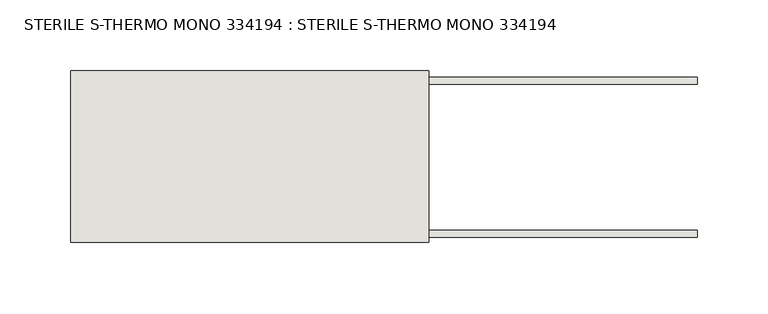
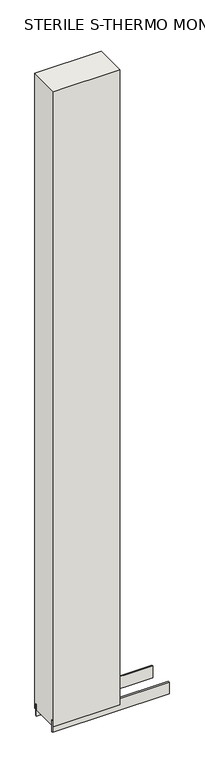
"""IFC4 building model written with IfcOpenShell, lengths in millimetres: wall geometry, STERILE S-THERMO MONO 334194 : STERILE S-THERMO MONO 334194."""

from ifc_helpers import new_model, si_unit, frame, origin, place, context, project, spatial, polyline, outline, extrude, source, transform, mapped, element, save


def sterile_s_thermo_mono_334194_sterile_s_thermo_mono_334194_72f81a0b(model_context):
    return source(origin(), model_context, "Body", "SweptSolid", [
        extrude(outline(polyline([(83957.4688132, -44119.5873004), (83960.0088132, -44119.5873004), (83960.0088132, -44122.1273004), (83957.4688132, -44122.1273004), (83957.4688132, -44119.5873004)])), frame((0.0, 0.0, 4419.6), z_axis=(0.0, 0.0, 1.0), x_axis=(1.0, 0.0, 0.0)), (0.0, 0.0, 1.0), 2.54),
        extrude(outline(polyline([(83706.0038602, -44172.5564604), (84150.5038602, -44172.5564604), (84150.5038602, -44177.6352412), (83706.0038602, -44177.6352412), (83706.0038602, -44172.5564604)])), frame((0.0, 0.0, 4418.6602), z_axis=(0.0, 0.0, 1.0), x_axis=(1.0, 0.0, 0.0)), (0.0, 0.0, 1.0), 47.625),
        extrude(outline(polyline([(83706.0038602, -44172.5564604), (84150.5038602, -44172.5564604), (84150.5038602, -44177.6352412), (83706.0038602, -44177.6352412), (83706.0038602, -44172.5564604)])), frame((0.0, 0.0, 4418.6602), z_axis=(0.0, 0.0, 1.0), x_axis=(1.0, 0.0, 0.0)), (0.0, 0.0, 1.0), 47.625),
        extrude(outline(polyline([(84150.5038602, -44069.1767332), (83706.0038602, -44069.1767332), (83706.0038602, -44064.0979778), (84150.5038602, -44064.0979778), (84150.5038602, -44069.1767332)])), frame((0.0, 0.0, 4418.6602), z_axis=(0.0, 0.0, 1.0), x_axis=(1.0, 0.0, 0.0)), (0.0, 0.0, 1.0), 47.625),
        extrude(outline(polyline([(84150.5038602, -44069.1767332), (83706.0038602, -44069.1767332), (83706.0038602, -44064.0979778), (84150.5038602, -44064.0979778), (84150.5038602, -44069.1767332)])), frame((0.0, 0.0, 4418.6602), z_axis=(0.0, 0.0, 1.0), x_axis=(1.0, 0.0, 0.0)), (0.0, 0.0, 1.0), 47.625),
        extrude(outline(polyline([(83706.0038602, -44181.8272318), (83706.0038602, -44059.9059872), (83960.0038602, -44059.9059872), (83960.0038602, -44181.8272318), (83706.0038602, -44181.8272318)])), frame((0.0, 0.0, 4445.0), z_axis=(0.0, 0.0, 1.0), x_axis=(1.0, 0.0, 0.0)), (0.0, 0.0, 1.0), 2562.4536762),
    ])


if __name__ == "__main__":
    model = new_model("IFC4")
    model_context = context("Model", 3, world=origin())
    ifc_project = project(units=[si_unit("LENGTHUNIT", "METRE", prefix="MILLI")], contexts=[model_context])
    site = spatial("IfcSite", under=ifc_project)
    building = spatial("IfcBuilding", under=site)
    placement = place(None, origin())
    sterile_s_thermo_mono_334194_sterile_s_thermo_mono_334194_shape = sterile_s_thermo_mono_334194_sterile_s_thermo_mono_334194_72f81a0b(model_context)
    element("IfcWall", 1, ObjectType="STERILE S-THERMO MONO 334194 : STERILE S-THERMO MONO 334194", at=placement, inside=building, context=model_context, shape_type="MappedRepresentation", body=[
        mapped(sterile_s_thermo_mono_334194_sterile_s_thermo_mono_334194_shape, transform((0.0, 0.0, 0.0), x_axis=(1.0, 0.0, 0.0), y_axis=(0.0, 1.0, 0.0), z_axis=(0.0, 0.0, 1.0))),
    ])
    save(model, "model.ifc")
